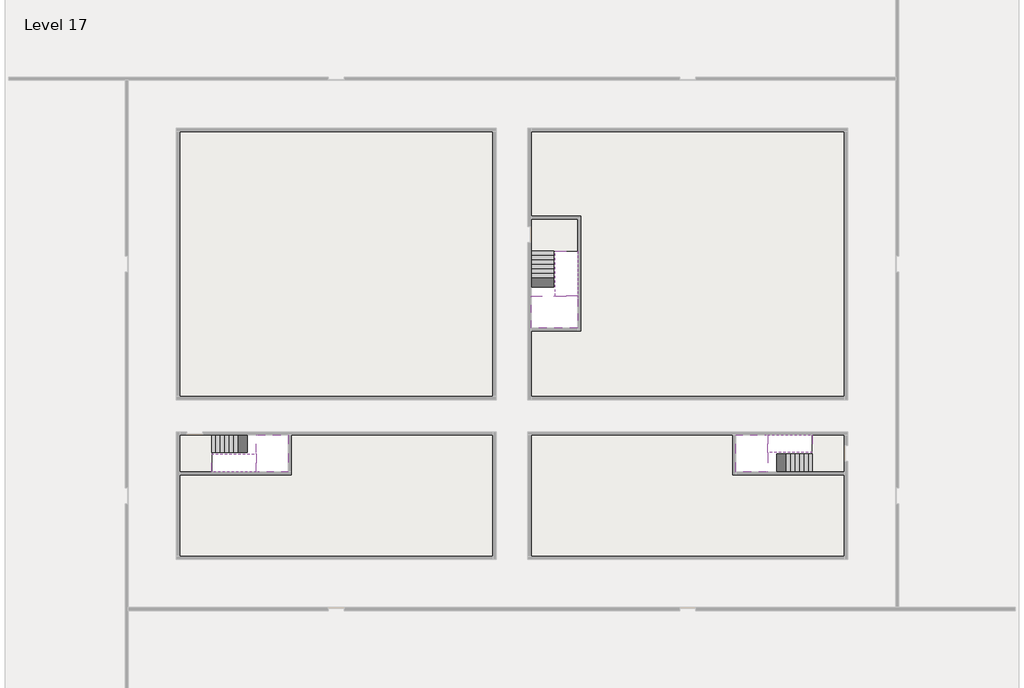
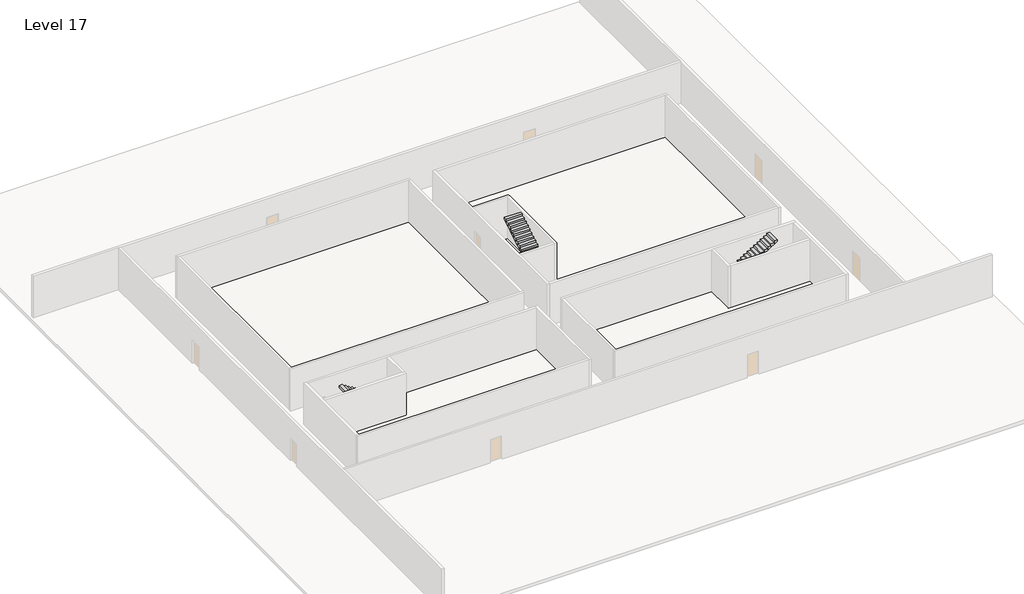
# One storey, part 2 of 2: 6 stair flights, 5 slabs.
"""IFC4 building model written with IfcOpenShell, lengths in millimetres."""

from ifc_helpers import new_model, si_unit, frame, origin, place, context, project, spatial, polyline, outline, extrude, faceted_brep, element, save

model = new_model("IFC4")

# Units and contexts
model_context = context("Model", 3, world=origin())
ifc_project = project(units=[si_unit("LENGTHUNIT", "METRE", prefix="MILLI")], contexts=[model_context])

# Site, building, storey
site = spatial("IfcSite", under=ifc_project)
building = spatial("IfcBuilding", under=site)
storey = spatial("IfcBuildingStorey", under=building, Name="Level 17", Elevation=60800.0)

# Slabs
placement = place(None, origin())
element("IfcSlab", 1, at=placement, inside=storey, context=model_context, shape_type="Brep", body=[
    faceted_brep([(8190.1058784, -42918.09644, 62700.0), (8190.1058784, -44018.09644, 62700.0), (8190.1058784, -44118.09644, 62700.0), (8190.1058784, -45218.09644, 62700.0), (8390.7194421, -45218.09644, 62700.0), (10190.1058784, -45218.09644, 62700.0), (10190.1058784, -42918.09644, 62700.0), (8269.4923146, -42918.09644, 62700.0), (8190.1058784, -42918.09644, 62527.2727273), (8190.1058784, -42918.09644, 62351.0278478), (8190.1058784, -44018.09644, 62351.0278478), (8190.1058784, -44018.09644, 62400.0), (8190.1058784, -44118.09644, 62400.0), (8190.1058784, -44118.09644, 62523.7551205), (8190.1058784, -45218.09644, 62523.7551205), (8390.7194421, -45218.09644, 62400.0), (10190.1058784, -45218.09644, 62400.0), (10190.1058784, -42918.09644, 62400.0), (8269.4923146, -42918.09644, 62400.0), (8390.7194421, -44118.09644, 62400.0), (8269.4923146, -44018.09644, 62400.0)], [[[0, 1, 2, 3, 4, 5, 6, 7]], [[1, 0, 8, 9, 10, 11]], [[2, 1, 11, 12, 13]], [[3, 2, 13, 14]], [[3, 14, 15, 16, 5, 4]], [[6, 5, 16, 17]], [[9, 8, 0, 7, 6, 17, 18]], [[19, 12, 11, 20, 18, 17, 16, 15]], [[12, 19, 13]], [[18, 20, 10, 9]], [[20, 11, 10]], [[19, 15, 14, 13]]]),
])
element("IfcSlab", 2, at=placement, inside=storey, context=model_context, shape_type="Brep", body=[
    faceted_brep([(40190.1058784, -45218.09644, 62700.0), (40190.1058784, -44118.09644, 62700.0), (40190.1058784, -44018.09644, 62700.0), (40190.1058784, -42918.09644, 62700.0), (39989.4923146, -42918.09644, 62700.0), (38190.1058784, -42918.09644, 62700.0), (38190.1058784, -45218.09644, 62700.0), (40110.7194421, -45218.09644, 62700.0), (40190.1058784, -45218.09644, 62527.2727273), (40190.1058784, -45218.09644, 62351.0278478), (40190.1058784, -44118.09644, 62351.0278478), (40190.1058784, -44118.09644, 62400.0), (40190.1058784, -44018.09644, 62400.0), (40190.1058784, -44018.09644, 62523.7551205), (40190.1058784, -42918.09644, 62523.7551205), (39989.4923146, -42918.09644, 62400.0), (38190.1058784, -42918.09644, 62400.0), (38190.1058784, -45218.09644, 62400.0), (40110.7194421, -45218.09644, 62400.0), (39989.4923146, -44018.09644, 62400.0), (40110.7194421, -44118.09644, 62400.0)], [[[0, 1, 2, 3, 4, 5, 6, 7]], [[1, 0, 8, 9, 10, 11]], [[2, 1, 11, 12, 13]], [[3, 2, 13, 14]], [[3, 14, 15, 16, 5, 4]], [[6, 5, 16, 17]], [[9, 8, 0, 7, 6, 17, 18]], [[19, 12, 11, 20, 18, 17, 16, 15]], [[12, 19, 13]], [[18, 20, 10, 9]], [[20, 11, 10]], [[19, 15, 14, 13]]]),
])
element("IfcSlab", 3, at=placement, inside=storey, context=model_context, shape_type="Brep", body=[
    faceted_brep([(26790.1058784, -34218.09644, 62700.0), (25390.1058784, -34218.09644, 62700.0), (25390.1058784, -34297.4828763, 62700.0), (25390.1058784, -36218.09644, 62700.0), (28290.1058784, -36218.09644, 62700.0), (28290.1058784, -34418.7100038, 62700.0), (28290.1058784, -34218.09644, 62700.0), (26890.1058784, -34218.09644, 62700.0), (26790.1058784, -34218.09644, 62400.0), (26790.1058784, -34218.09644, 62351.0278478), (25390.1058784, -34218.09644, 62351.0278478), (25390.1058784, -34218.09644, 62527.2727273), (25390.1058784, -34297.4828763, 62400.0), (25390.1058784, -36218.09644, 62400.0), (28290.1058784, -36218.09644, 62400.0), (28290.1058784, -34418.7100038, 62400.0), (28290.1058784, -34218.09644, 62523.7551205), (26890.1058784, -34218.09644, 62523.7551205), (26890.1058784, -34218.09644, 62400.0), (26890.1058784, -34418.7100038, 62400.0), (26790.1058784, -34297.4828763, 62400.0)], [[[0, 1, 2, 3, 4, 5, 6, 7]], [[1, 0, 8, 9, 10, 11]], [[1, 11, 10, 12, 13, 3, 2]], [[4, 3, 13, 14]], [[4, 14, 15, 16, 6, 5]], [[7, 6, 16, 17]], [[0, 7, 17, 18, 8]], [[18, 19, 15, 14, 13, 12, 20, 8]], [[19, 18, 17]], [[20, 12, 10, 9]], [[8, 20, 9]], [[15, 19, 17, 16]]]),
])
element("IfcSlab", 4, at=placement, inside=storey, context=model_context, shape_type="SweptSolid", body=[
    extrude(outline(polyline([(22990.1058784, -23918.09644), (22990.1058784, -40518.09644), (3390.1058784, -40518.09644), (3390.1058784, -23918.09644), (22990.1058784, -23918.09644)])), frame((0.0, 0.0, 60500.0), z_axis=(0.0, 0.0, 1.0), x_axis=(1.0, 0.0, 0.0)), (0.0, 0.0, 1.0), 300.0),
    extrude(outline(polyline([(44990.1058784, -23918.09644), (44990.1058784, -40518.09644), (25390.1058784, -40518.09644), (25390.1058784, -36418.09644), (28490.1058784, -36418.09644), (28490.1058784, -29218.09644), (25390.1058784, -29218.09644), (25390.1058784, -23918.09644), (44990.1058784, -23918.09644)])), frame((0.0, 0.0, 60500.0), z_axis=(0.0, 0.0, 1.0), x_axis=(1.0, 0.0, 0.0)), (0.0, 0.0, 1.0), 300.0),
    extrude(outline(polyline([(22990.1058784, -42918.09644), (22990.1058784, -50518.09644), (3390.1058784, -50518.09644), (3390.1058784, -45418.09644), (10390.1058784, -45418.09644), (10390.1058784, -42918.09644), (22990.1058784, -42918.09644)])), frame((0.0, 0.0, 60500.0), z_axis=(0.0, 0.0, 1.0), x_axis=(1.0, 0.0, 0.0)), (0.0, 0.0, 1.0), 300.0),
    extrude(outline(polyline([(37990.1058784, -42918.09644), (37990.1058784, -45418.09644), (44990.1058784, -45418.09644), (44990.1058784, -50518.09644), (25390.1058784, -50518.09644), (25390.1058784, -42918.09644), (37990.1058784, -42918.09644)])), frame((0.0, 0.0, 60500.0), z_axis=(0.0, 0.0, 1.0), x_axis=(1.0, 0.0, 0.0)), (0.0, 0.0, 1.0), 300.0),
])
element("IfcSlab", 5, at=placement, inside=storey, context=model_context, shape_type="SweptSolid", body=[
    extrude(outline(polyline([(44990.1058784, -42918.09644), (44990.1058784, -45218.09644), (42990.1058784, -45218.09644), (42990.1058784, -42918.09644), (44990.1058784, -42918.09644)])), frame((0.0, 0.0, 60500.0), z_axis=(0.0, 0.0, 1.0), x_axis=(1.0, 0.0, 0.0)), (0.0, 0.0, 1.0), 300.0),
    extrude(outline(polyline([(5390.1058784, -42918.09644), (5390.1058784, -45218.09644), (3390.1058784, -45218.09644), (3390.1058784, -42918.09644), (5390.1058784, -42918.09644)])), frame((0.0, 0.0, 60500.0), z_axis=(0.0, 0.0, 1.0), x_axis=(1.0, 0.0, 0.0)), (0.0, 0.0, 1.0), 300.0),
    extrude(outline(polyline([(28290.1058784, -29418.09644), (28290.1058784, -31418.09644), (25390.1058784, -31418.09644), (25390.1058784, -29418.09644), (28290.1058784, -29418.09644)])), frame((0.0, 0.0, 60500.0), z_axis=(0.0, 0.0, 1.0), x_axis=(1.0, 0.0, 0.0)), (0.0, 0.0, 1.0), 300.0),
])

# Stair flights
element("IfcStairFlight", 6, at=placement, inside=storey, context=model_context, shape_type="Brep", body=[
    faceted_brep([(5670.1058784, -42918.09644, 60972.7272727), (5390.1058784, -42918.09644, 60972.7272727), (5390.1058784, -44018.09644, 60972.7272727), (5670.1058784, -44018.09644, 60972.7272727), (5670.1058784, -42918.09644, 60800.0), (5390.1058784, -42918.09644, 60800.0), (5390.1058784, -44018.09644, 60800.0), (5670.1058784, -44018.09644, 60800.0), (5950.1058784, -42918.09644, 61145.4545455), (5670.1058784, -42918.09644, 61145.4545455), (5670.1058784, -44018.09644, 61145.4545455), (5950.1058784, -44018.09644, 61145.4545455), (5950.1058784, -42918.09644, 60969.209666), (5675.8081041, -42918.09644, 60800.0), (5675.8081041, -44018.09644, 60800.0), (5950.1058784, -44018.09644, 60969.209666), (6230.1058784, -42918.09644, 61318.1818182), (5950.1058784, -42918.09644, 61318.1818182), (5950.1058784, -44018.09644, 61318.1818182), (6230.1058784, -44018.09644, 61318.1818182), (6230.1058784, -42918.09644, 61141.9369387), (6230.1058784, -44018.09644, 61141.9369387), (6510.1058784, -42918.09644, 61490.9090909), (6230.1058784, -42918.09644, 61490.9090909), (6230.1058784, -44018.09644, 61490.9090909), (6510.1058784, -44018.09644, 61490.9090909), (6510.1058784, -42918.09644, 61314.6642114), (6510.1058784, -44018.09644, 61314.6642114), (6790.1058784, -42918.09644, 61663.6363636), (6510.1058784, -42918.09644, 61663.6363636), (6510.1058784, -44018.09644, 61663.6363636), (6790.1058784, -44018.09644, 61663.6363636), (6790.1058784, -42918.09644, 61487.3914841), (6790.1058784, -44018.09644, 61487.3914841), (7070.1058784, -42918.09644, 61836.3636364), (6790.1058784, -42918.09644, 61836.3636364), (6790.1058784, -44018.09644, 61836.3636364), (7070.1058784, -44018.09644, 61836.3636364), (7070.1058784, -42918.09644, 61660.1187569), (7070.1058784, -44018.09644, 61660.1187569), (7350.1058784, -42918.09644, 62009.0909091), (7070.1058784, -42918.09644, 62009.0909091), (7070.1058784, -44018.09644, 62009.0909091), (7350.1058784, -44018.09644, 62009.0909091), (7350.1058784, -42918.09644, 61832.8460296), (7350.1058784, -44018.09644, 61832.8460296), (7630.1058784, -42918.09644, 62181.8181818), (7350.1058784, -42918.09644, 62181.8181818), (7350.1058784, -44018.09644, 62181.8181818), (7630.1058784, -44018.09644, 62181.8181818), (7630.1058784, -42918.09644, 62005.5733023), (7630.1058784, -44018.09644, 62005.5733023), (7910.1058784, -42918.09644, 62354.5454545), (7630.1058784, -42918.09644, 62354.5454545), (7630.1058784, -44018.09644, 62354.5454545), (7910.1058784, -44018.09644, 62354.5454545), (7910.1058784, -42918.09644, 62178.3005751), (7910.1058784, -44018.09644, 62178.3005751), (8190.1058784, -42918.09644, 62527.2727273), (7910.1058784, -42918.09644, 62527.2727273), (7910.1058784, -44018.09644, 62527.2727273), (8190.1058784, -44018.09644, 62527.2727273), (8190.1058784, -42918.09644, 62351.0278478), (8190.1058784, -44018.09644, 62351.0278478), (8190.1058784, -44018.09644, 62400.0)], [[[0, 1, 2, 3]], [[1, 0, 4, 5]], [[2, 1, 5, 6]], [[3, 2, 6, 7]], [[8, 9, 10, 11]], [[4, 0, 9, 8, 12, 13]], [[0, 3, 10, 9]], [[3, 7, 14, 15, 11, 10]], [[16, 17, 18, 19]], [[17, 16, 20, 12, 8]], [[8, 11, 18, 17]], [[19, 18, 11, 15, 21]], [[22, 23, 24, 25]], [[23, 22, 26, 20, 16]], [[16, 19, 24, 23]], [[25, 24, 19, 21, 27]], [[28, 29, 30, 31]], [[29, 28, 32, 26, 22]], [[22, 25, 30, 29]], [[31, 30, 25, 27, 33]], [[34, 35, 36, 37]], [[35, 34, 38, 32, 28]], [[28, 31, 36, 35]], [[37, 36, 31, 33, 39]], [[40, 41, 42, 43]], [[41, 40, 44, 38, 34]], [[34, 37, 42, 41]], [[43, 42, 37, 39, 45]], [[46, 47, 48, 49]], [[47, 46, 50, 44, 40]], [[40, 43, 48, 47]], [[49, 48, 43, 45, 51]], [[52, 53, 54, 55]], [[53, 52, 56, 50, 46]], [[46, 49, 54, 53]], [[55, 54, 49, 51, 57]], [[58, 59, 60, 61]], [[59, 58, 62, 56, 52]], [[52, 55, 60, 59]], [[61, 60, 55, 57, 63, 64]], [[58, 61, 64, 63, 62]], [[5, 4, 13, 14, 7, 6]], [[14, 13, 12, 20, 26, 32, 38, 44, 50, 56, 62, 63, 57, 51, 45, 39, 33, 27, 21, 15]]]),
])
element("IfcStairFlight", 7, at=placement, inside=storey, context=model_context, shape_type="Brep", body=[
    faceted_brep([(7910.1058784, -45218.09644, 62872.7272727), (8190.1058784, -45218.09644, 62872.7272727), (8190.1058784, -44118.09644, 62872.7272727), (7910.1058784, -44118.09644, 62872.7272727), (7910.1058784, -45218.09644, 62696.4823932), (8190.1058784, -45218.09644, 62523.7551205), (8190.1058784, -45218.09644, 62700.0), (8190.1058784, -44118.09644, 62523.7551205), (7910.1058784, -44118.09644, 62696.4823932), (7630.1058784, -45218.09644, 63045.4545455), (7910.1058784, -45218.09644, 63045.4545455), (7910.1058784, -44118.09644, 63045.4545455), (7630.1058784, -44118.09644, 63045.4545455), (7630.1058784, -45218.09644, 62869.209666), (7630.1058784, -44118.09644, 62869.209666), (7350.1058784, -45218.09644, 63218.1818182), (7630.1058784, -45218.09644, 63218.1818182), (7630.1058784, -44118.09644, 63218.1818182), (7350.1058784, -44118.09644, 63218.1818182), (7350.1058784, -45218.09644, 63041.9369387), (7350.1058784, -44118.09644, 63041.9369387), (7070.1058784, -45218.09644, 63390.9090909), (7350.1058784, -45218.09644, 63390.9090909), (7350.1058784, -44118.09644, 63390.9090909), (7070.1058784, -44118.09644, 63390.9090909), (7070.1058784, -45218.09644, 63214.6642114), (7070.1058784, -44118.09644, 63214.6642114), (6790.1058784, -45218.09644, 63563.6363636), (7070.1058784, -45218.09644, 63563.6363636), (7070.1058784, -44118.09644, 63563.6363636), (6790.1058784, -44118.09644, 63563.6363636), (6790.1058784, -45218.09644, 63387.3914841), (6790.1058784, -44118.09644, 63387.3914841), (6510.1058784, -45218.09644, 63736.3636364), (6790.1058784, -45218.09644, 63736.3636364), (6790.1058784, -44118.09644, 63736.3636364), (6510.1058784, -44118.09644, 63736.3636364), (6510.1058784, -45218.09644, 63560.1187569), (6510.1058784, -44118.09644, 63560.1187569), (6230.1058784, -45218.09644, 63909.0909091), (6510.1058784, -45218.09644, 63909.0909091), (6510.1058784, -44118.09644, 63909.0909091), (6230.1058784, -44118.09644, 63909.0909091), (6230.1058784, -45218.09644, 63732.8460296), (6230.1058784, -44118.09644, 63732.8460296), (5950.1058784, -45218.09644, 64081.8181818), (6230.1058784, -45218.09644, 64081.8181818), (6230.1058784, -44118.09644, 64081.8181818), (5950.1058784, -44118.09644, 64081.8181818), (5950.1058784, -45218.09644, 63905.5733023), (5950.1058784, -44118.09644, 63905.5733023), (5670.1058784, -45218.09644, 64254.5454545), (5950.1058784, -45218.09644, 64254.5454545), (5950.1058784, -44118.09644, 64254.5454545), (5670.1058784, -44118.09644, 64254.5454545), (5670.1058784, -45218.09644, 64078.3005751), (5670.1058784, -44118.09644, 64078.3005751), (5390.1058784, -45218.09644, 64427.2727273), (5670.1058784, -45218.09644, 64427.2727273), (5670.1058784, -44118.09644, 64427.2727273), (5390.1058784, -44118.09644, 64427.2727273), (5390.1058784, -45218.09644, 64251.0278478), (5390.1058784, -44118.09644, 64251.0278478)], [[[0, 1, 2, 3]], [[1, 0, 4, 5, 6]], [[2, 1, 6, 5, 7]], [[3, 2, 7, 8]], [[9, 10, 11, 12]], [[10, 9, 13, 4, 0]], [[11, 10, 0, 3]], [[12, 11, 3, 8, 14]], [[15, 16, 17, 18]], [[16, 15, 19, 13, 9]], [[17, 16, 9, 12]], [[18, 17, 12, 14, 20]], [[21, 22, 23, 24]], [[22, 21, 25, 19, 15]], [[23, 22, 15, 18]], [[24, 23, 18, 20, 26]], [[27, 28, 29, 30]], [[28, 27, 31, 25, 21]], [[29, 28, 21, 24]], [[30, 29, 24, 26, 32]], [[33, 34, 35, 36]], [[34, 33, 37, 31, 27]], [[35, 34, 27, 30]], [[36, 35, 30, 32, 38]], [[39, 40, 41, 42]], [[40, 39, 43, 37, 33]], [[41, 40, 33, 36]], [[42, 41, 36, 38, 44]], [[45, 46, 47, 48]], [[46, 45, 49, 43, 39]], [[47, 46, 39, 42]], [[48, 47, 42, 44, 50]], [[51, 52, 53, 54]], [[52, 51, 55, 49, 45]], [[53, 52, 45, 48]], [[54, 53, 48, 50, 56]], [[57, 58, 59, 60]], [[58, 57, 61, 55, 51]], [[59, 58, 51, 54]], [[60, 59, 54, 56, 62]], [[57, 60, 62, 61]], [[5, 4, 13, 19, 25, 31, 37, 43, 49, 55, 61, 62, 56, 50, 44, 38, 32, 26, 20, 14, 8, 7]]]),
])
element("IfcStairFlight", 8, at=placement, inside=storey, context=model_context, shape_type="Brep", body=[
    faceted_brep([(42710.1058784, -45218.09644, 60972.7272727), (42990.1058784, -45218.09644, 60972.7272727), (42990.1058784, -44118.09644, 60972.7272727), (42710.1058784, -44118.09644, 60972.7272727), (42710.1058784, -45218.09644, 60800.0), (42990.1058784, -45218.09644, 60800.0), (42990.1058784, -44118.09644, 60800.0), (42710.1058784, -44118.09644, 60800.0), (42430.1058784, -45218.09644, 61145.4545455), (42710.1058784, -45218.09644, 61145.4545455), (42710.1058784, -44118.09644, 61145.4545455), (42430.1058784, -44118.09644, 61145.4545455), (42430.1058784, -45218.09644, 60969.209666), (42704.4036527, -45218.09644, 60800.0), (42704.4036527, -44118.09644, 60800.0), (42430.1058784, -44118.09644, 60969.209666), (42150.1058784, -45218.09644, 61318.1818182), (42430.1058784, -45218.09644, 61318.1818182), (42430.1058784, -44118.09644, 61318.1818182), (42150.1058784, -44118.09644, 61318.1818182), (42150.1058784, -45218.09644, 61141.9369387), (42150.1058784, -44118.09644, 61141.9369387), (41870.1058784, -45218.09644, 61490.9090909), (42150.1058784, -45218.09644, 61490.9090909), (42150.1058784, -44118.09644, 61490.9090909), (41870.1058784, -44118.09644, 61490.9090909), (41870.1058784, -45218.09644, 61314.6642114), (41870.1058784, -44118.09644, 61314.6642114), (41590.1058784, -45218.09644, 61663.6363636), (41870.1058784, -45218.09644, 61663.6363636), (41870.1058784, -44118.09644, 61663.6363636), (41590.1058784, -44118.09644, 61663.6363636), (41590.1058784, -45218.09644, 61487.3914841), (41590.1058784, -44118.09644, 61487.3914841), (41310.1058784, -45218.09644, 61836.3636364), (41590.1058784, -45218.09644, 61836.3636364), (41590.1058784, -44118.09644, 61836.3636364), (41310.1058784, -44118.09644, 61836.3636364), (41310.1058784, -45218.09644, 61660.1187569), (41310.1058784, -44118.09644, 61660.1187569), (41030.1058784, -45218.09644, 62009.0909091), (41310.1058784, -45218.09644, 62009.0909091), (41310.1058784, -44118.09644, 62009.0909091), (41030.1058784, -44118.09644, 62009.0909091), (41030.1058784, -45218.09644, 61832.8460296), (41030.1058784, -44118.09644, 61832.8460296), (40750.1058784, -45218.09644, 62181.8181818), (41030.1058784, -45218.09644, 62181.8181818), (41030.1058784, -44118.09644, 62181.8181818), (40750.1058784, -44118.09644, 62181.8181818), (40750.1058784, -45218.09644, 62005.5733023), (40750.1058784, -44118.09644, 62005.5733023), (40470.1058784, -45218.09644, 62354.5454545), (40750.1058784, -45218.09644, 62354.5454545), (40750.1058784, -44118.09644, 62354.5454545), (40470.1058784, -44118.09644, 62354.5454545), (40470.1058784, -45218.09644, 62178.3005751), (40470.1058784, -44118.09644, 62178.3005751), (40190.1058784, -45218.09644, 62527.2727273), (40470.1058784, -45218.09644, 62527.2727273), (40470.1058784, -44118.09644, 62527.2727273), (40190.1058784, -44118.09644, 62527.2727273), (40190.1058784, -45218.09644, 62351.0278478), (40190.1058784, -44118.09644, 62351.0278478), (40190.1058784, -44118.09644, 62400.0)], [[[0, 1, 2, 3]], [[1, 0, 4, 5]], [[2, 1, 5, 6]], [[3, 2, 6, 7]], [[8, 9, 10, 11]], [[4, 0, 9, 8, 12, 13]], [[0, 3, 10, 9]], [[3, 7, 14, 15, 11, 10]], [[16, 17, 18, 19]], [[17, 16, 20, 12, 8]], [[8, 11, 18, 17]], [[19, 18, 11, 15, 21]], [[22, 23, 24, 25]], [[23, 22, 26, 20, 16]], [[16, 19, 24, 23]], [[25, 24, 19, 21, 27]], [[28, 29, 30, 31]], [[29, 28, 32, 26, 22]], [[22, 25, 30, 29]], [[31, 30, 25, 27, 33]], [[34, 35, 36, 37]], [[35, 34, 38, 32, 28]], [[28, 31, 36, 35]], [[37, 36, 31, 33, 39]], [[40, 41, 42, 43]], [[41, 40, 44, 38, 34]], [[34, 37, 42, 41]], [[43, 42, 37, 39, 45]], [[46, 47, 48, 49]], [[47, 46, 50, 44, 40]], [[40, 43, 48, 47]], [[49, 48, 43, 45, 51]], [[52, 53, 54, 55]], [[53, 52, 56, 50, 46]], [[46, 49, 54, 53]], [[55, 54, 49, 51, 57]], [[58, 59, 60, 61]], [[59, 58, 62, 56, 52]], [[52, 55, 60, 59]], [[61, 60, 55, 57, 63, 64]], [[58, 61, 64, 63, 62]], [[5, 4, 13, 14, 7, 6]], [[14, 13, 12, 20, 26, 32, 38, 44, 50, 56, 62, 63, 57, 51, 45, 39, 33, 27, 21, 15]]]),
])
element("IfcStairFlight", 9, at=placement, inside=storey, context=model_context, shape_type="Brep", body=[
    faceted_brep([(40470.1058784, -42918.09644, 62872.7272727), (40190.1058784, -42918.09644, 62872.7272727), (40190.1058784, -44018.09644, 62872.7272727), (40470.1058784, -44018.09644, 62872.7272727), (40470.1058784, -42918.09644, 62696.4823932), (40190.1058784, -42918.09644, 62523.7551205), (40190.1058784, -42918.09644, 62700.0), (40190.1058784, -44018.09644, 62523.7551205), (40470.1058784, -44018.09644, 62696.4823932), (40750.1058784, -42918.09644, 63045.4545455), (40470.1058784, -42918.09644, 63045.4545455), (40470.1058784, -44018.09644, 63045.4545455), (40750.1058784, -44018.09644, 63045.4545455), (40750.1058784, -42918.09644, 62869.209666), (40750.1058784, -44018.09644, 62869.209666), (41030.1058784, -42918.09644, 63218.1818182), (40750.1058784, -42918.09644, 63218.1818182), (40750.1058784, -44018.09644, 63218.1818182), (41030.1058784, -44018.09644, 63218.1818182), (41030.1058784, -42918.09644, 63041.9369387), (41030.1058784, -44018.09644, 63041.9369387), (41310.1058784, -42918.09644, 63390.9090909), (41030.1058784, -42918.09644, 63390.9090909), (41030.1058784, -44018.09644, 63390.9090909), (41310.1058784, -44018.09644, 63390.9090909), (41310.1058784, -42918.09644, 63214.6642114), (41310.1058784, -44018.09644, 63214.6642114), (41590.1058784, -42918.09644, 63563.6363636), (41310.1058784, -42918.09644, 63563.6363636), (41310.1058784, -44018.09644, 63563.6363636), (41590.1058784, -44018.09644, 63563.6363636), (41590.1058784, -42918.09644, 63387.3914841), (41590.1058784, -44018.09644, 63387.3914841), (41870.1058784, -42918.09644, 63736.3636364), (41590.1058784, -42918.09644, 63736.3636364), (41590.1058784, -44018.09644, 63736.3636364), (41870.1058784, -44018.09644, 63736.3636364), (41870.1058784, -42918.09644, 63560.1187569), (41870.1058784, -44018.09644, 63560.1187569), (42150.1058784, -42918.09644, 63909.0909091), (41870.1058784, -42918.09644, 63909.0909091), (41870.1058784, -44018.09644, 63909.0909091), (42150.1058784, -44018.09644, 63909.0909091), (42150.1058784, -42918.09644, 63732.8460296), (42150.1058784, -44018.09644, 63732.8460296), (42430.1058784, -42918.09644, 64081.8181818), (42150.1058784, -42918.09644, 64081.8181818), (42150.1058784, -44018.09644, 64081.8181818), (42430.1058784, -44018.09644, 64081.8181818), (42430.1058784, -42918.09644, 63905.5733023), (42430.1058784, -44018.09644, 63905.5733023), (42710.1058784, -42918.09644, 64254.5454545), (42430.1058784, -42918.09644, 64254.5454545), (42430.1058784, -44018.09644, 64254.5454545), (42710.1058784, -44018.09644, 64254.5454545), (42710.1058784, -42918.09644, 64078.3005751), (42710.1058784, -44018.09644, 64078.3005751), (42990.1058784, -42918.09644, 64427.2727273), (42710.1058784, -42918.09644, 64427.2727273), (42710.1058784, -44018.09644, 64427.2727273), (42990.1058784, -44018.09644, 64427.2727273), (42990.1058784, -42918.09644, 64251.0278478), (42990.1058784, -44018.09644, 64251.0278478)], [[[0, 1, 2, 3]], [[1, 0, 4, 5, 6]], [[2, 1, 6, 5, 7]], [[3, 2, 7, 8]], [[9, 10, 11, 12]], [[10, 9, 13, 4, 0]], [[11, 10, 0, 3]], [[12, 11, 3, 8, 14]], [[15, 16, 17, 18]], [[16, 15, 19, 13, 9]], [[17, 16, 9, 12]], [[18, 17, 12, 14, 20]], [[21, 22, 23, 24]], [[22, 21, 25, 19, 15]], [[23, 22, 15, 18]], [[24, 23, 18, 20, 26]], [[27, 28, 29, 30]], [[28, 27, 31, 25, 21]], [[29, 28, 21, 24]], [[30, 29, 24, 26, 32]], [[33, 34, 35, 36]], [[34, 33, 37, 31, 27]], [[35, 34, 27, 30]], [[36, 35, 30, 32, 38]], [[39, 40, 41, 42]], [[40, 39, 43, 37, 33]], [[41, 40, 33, 36]], [[42, 41, 36, 38, 44]], [[45, 46, 47, 48]], [[46, 45, 49, 43, 39]], [[47, 46, 39, 42]], [[48, 47, 42, 44, 50]], [[51, 52, 53, 54]], [[52, 51, 55, 49, 45]], [[53, 52, 45, 48]], [[54, 53, 48, 50, 56]], [[57, 58, 59, 60]], [[58, 57, 61, 55, 51]], [[59, 58, 51, 54]], [[60, 59, 54, 56, 62]], [[57, 60, 62, 61]], [[5, 4, 13, 19, 25, 31, 37, 43, 49, 55, 61, 62, 56, 50, 44, 38, 32, 26, 20, 14, 8, 7]]]),
])
element("IfcStairFlight", 10, at=placement, inside=storey, context=model_context, shape_type="Brep", body=[
    faceted_brep([(26790.1058784, -31698.09644, 60972.7272727), (26790.1058784, -31418.09644, 60972.7272727), (25390.1058784, -31418.09644, 60972.7272727), (25390.1058784, -31698.09644, 60972.7272727), (26790.1058784, -31698.09644, 60800.0), (26790.1058784, -31418.09644, 60800.0), (25390.1058784, -31418.09644, 60800.0), (25390.1058784, -31698.09644, 60800.0), (26790.1058784, -31978.09644, 61145.4545455), (26790.1058784, -31698.09644, 61145.4545455), (25390.1058784, -31698.09644, 61145.4545455), (25390.1058784, -31978.09644, 61145.4545455), (26790.1058784, -31978.09644, 60969.209666), (26790.1058784, -31703.7986657, 60800.0), (25390.1058784, -31703.7986657, 60800.0), (25390.1058784, -31978.09644, 60969.209666), (26790.1058784, -32258.09644, 61318.1818182), (26790.1058784, -31978.09644, 61318.1818182), (25390.1058784, -31978.09644, 61318.1818182), (25390.1058784, -32258.09644, 61318.1818182), (26790.1058784, -32258.09644, 61141.9369387), (25390.1058784, -32258.09644, 61141.9369387), (26790.1058784, -32538.09644, 61490.9090909), (26790.1058784, -32258.09644, 61490.9090909), (25390.1058784, -32258.09644, 61490.9090909), (25390.1058784, -32538.09644, 61490.9090909), (26790.1058784, -32538.09644, 61314.6642114), (25390.1058784, -32538.09644, 61314.6642114), (26790.1058784, -32818.09644, 61663.6363636), (26790.1058784, -32538.09644, 61663.6363636), (25390.1058784, -32538.09644, 61663.6363636), (25390.1058784, -32818.09644, 61663.6363636), (26790.1058784, -32818.09644, 61487.3914841), (25390.1058784, -32818.09644, 61487.3914841), (26790.1058784, -33098.09644, 61836.3636364), (26790.1058784, -32818.09644, 61836.3636364), (25390.1058784, -32818.09644, 61836.3636364), (25390.1058784, -33098.09644, 61836.3636364), (26790.1058784, -33098.09644, 61660.1187569), (25390.1058784, -33098.09644, 61660.1187569), (26790.1058784, -33378.09644, 62009.0909091), (26790.1058784, -33098.09644, 62009.0909091), (25390.1058784, -33098.09644, 62009.0909091), (25390.1058784, -33378.09644, 62009.0909091), (26790.1058784, -33378.09644, 61832.8460296), (25390.1058784, -33378.09644, 61832.8460296), (26790.1058784, -33658.09644, 62181.8181818), (26790.1058784, -33378.09644, 62181.8181818), (25390.1058784, -33378.09644, 62181.8181818), (25390.1058784, -33658.09644, 62181.8181818), (26790.1058784, -33658.09644, 62005.5733023), (25390.1058784, -33658.09644, 62005.5733023), (26790.1058784, -33938.09644, 62354.5454545), (26790.1058784, -33658.09644, 62354.5454545), (25390.1058784, -33658.09644, 62354.5454545), (25390.1058784, -33938.09644, 62354.5454545), (26790.1058784, -33938.09644, 62178.3005751), (25390.1058784, -33938.09644, 62178.3005751), (26790.1058784, -34218.09644, 62527.2727273), (26790.1058784, -33938.09644, 62527.2727273), (25390.1058784, -33938.09644, 62527.2727273), (25390.1058784, -34218.09644, 62527.2727273), (26790.1058784, -34218.09644, 62400.0), (26790.1058784, -34218.09644, 62351.0278478), (25390.1058784, -34218.09644, 62351.0278478)], [[[0, 1, 2, 3]], [[1, 0, 4, 5]], [[2, 1, 5, 6]], [[3, 2, 6, 7]], [[8, 9, 10, 11]], [[4, 0, 9, 8, 12, 13]], [[0, 3, 10, 9]], [[3, 7, 14, 15, 11, 10]], [[16, 17, 18, 19]], [[17, 16, 20, 12, 8]], [[8, 11, 18, 17]], [[19, 18, 11, 15, 21]], [[22, 23, 24, 25]], [[23, 22, 26, 20, 16]], [[16, 19, 24, 23]], [[25, 24, 19, 21, 27]], [[28, 29, 30, 31]], [[29, 28, 32, 26, 22]], [[22, 25, 30, 29]], [[31, 30, 25, 27, 33]], [[34, 35, 36, 37]], [[35, 34, 38, 32, 28]], [[28, 31, 36, 35]], [[37, 36, 31, 33, 39]], [[40, 41, 42, 43]], [[41, 40, 44, 38, 34]], [[34, 37, 42, 41]], [[43, 42, 37, 39, 45]], [[46, 47, 48, 49]], [[47, 46, 50, 44, 40]], [[40, 43, 48, 47]], [[49, 48, 43, 45, 51]], [[52, 53, 54, 55]], [[53, 52, 56, 50, 46]], [[46, 49, 54, 53]], [[55, 54, 49, 51, 57]], [[58, 59, 60, 61]], [[59, 58, 62, 63, 56, 52]], [[52, 55, 60, 59]], [[61, 60, 55, 57, 64]], [[58, 61, 64, 63, 62]], [[5, 4, 13, 14, 7, 6]], [[14, 13, 12, 20, 26, 32, 38, 44, 50, 56, 63, 64, 57, 51, 45, 39, 33, 27, 21, 15]]]),
])
element("IfcStairFlight", 11, at=placement, inside=storey, context=model_context, shape_type="Brep", body=[
    faceted_brep([(26890.1058784, -33938.09644, 62872.7272727), (26890.1058784, -34218.09644, 62872.7272727), (28290.1058784, -34218.09644, 62872.7272727), (28290.1058784, -33938.09644, 62872.7272727), (26890.1058784, -33938.09644, 62696.4823932), (26890.1058784, -34218.09644, 62523.7551205), (28290.1058784, -34218.09644, 62523.7551205), (28290.1058784, -34218.09644, 62700.0), (28290.1058784, -33938.09644, 62696.4823932), (26890.1058784, -33658.09644, 63045.4545455), (26890.1058784, -33938.09644, 63045.4545455), (28290.1058784, -33938.09644, 63045.4545455), (28290.1058784, -33658.09644, 63045.4545455), (26890.1058784, -33658.09644, 62869.209666), (28290.1058784, -33658.09644, 62869.209666), (26890.1058784, -33378.09644, 63218.1818182), (26890.1058784, -33658.09644, 63218.1818182), (28290.1058784, -33658.09644, 63218.1818182), (28290.1058784, -33378.09644, 63218.1818182), (26890.1058784, -33378.09644, 63041.9369387), (28290.1058784, -33378.09644, 63041.9369387), (26890.1058784, -33098.09644, 63390.9090909), (26890.1058784, -33378.09644, 63390.9090909), (28290.1058784, -33378.09644, 63390.9090909), (28290.1058784, -33098.09644, 63390.9090909), (26890.1058784, -33098.09644, 63214.6642114), (28290.1058784, -33098.09644, 63214.6642114), (26890.1058784, -32818.09644, 63563.6363636), (26890.1058784, -33098.09644, 63563.6363636), (28290.1058784, -33098.09644, 63563.6363636), (28290.1058784, -32818.09644, 63563.6363636), (26890.1058784, -32818.09644, 63387.3914841), (28290.1058784, -32818.09644, 63387.3914841), (26890.1058784, -32538.09644, 63736.3636364), (26890.1058784, -32818.09644, 63736.3636364), (28290.1058784, -32818.09644, 63736.3636364), (28290.1058784, -32538.09644, 63736.3636364), (26890.1058784, -32538.09644, 63560.1187569), (28290.1058784, -32538.09644, 63560.1187569), (26890.1058784, -32258.09644, 63909.0909091), (26890.1058784, -32538.09644, 63909.0909091), (28290.1058784, -32538.09644, 63909.0909091), (28290.1058784, -32258.09644, 63909.0909091), (26890.1058784, -32258.09644, 63732.8460296), (28290.1058784, -32258.09644, 63732.8460296), (26890.1058784, -31978.09644, 64081.8181818), (26890.1058784, -32258.09644, 64081.8181818), (28290.1058784, -32258.09644, 64081.8181818), (28290.1058784, -31978.09644, 64081.8181818), (26890.1058784, -31978.09644, 63905.5733023), (28290.1058784, -31978.09644, 63905.5733023), (26890.1058784, -31698.09644, 64254.5454545), (26890.1058784, -31978.09644, 64254.5454545), (28290.1058784, -31978.09644, 64254.5454545), (28290.1058784, -31698.09644, 64254.5454545), (26890.1058784, -31698.09644, 64078.3005751), (28290.1058784, -31698.09644, 64078.3005751), (26890.1058784, -31418.09644, 64427.2727273), (26890.1058784, -31698.09644, 64427.2727273), (28290.1058784, -31698.09644, 64427.2727273), (28290.1058784, -31418.09644, 64427.2727273), (26890.1058784, -31418.09644, 64251.0278478), (28290.1058784, -31418.09644, 64251.0278478)], [[[0, 1, 2, 3]], [[1, 0, 4, 5]], [[2, 1, 5, 6, 7]], [[3, 2, 7, 6, 8]], [[9, 10, 11, 12]], [[10, 9, 13, 4, 0]], [[11, 10, 0, 3]], [[12, 11, 3, 8, 14]], [[15, 16, 17, 18]], [[16, 15, 19, 13, 9]], [[17, 16, 9, 12]], [[18, 17, 12, 14, 20]], [[21, 22, 23, 24]], [[22, 21, 25, 19, 15]], [[23, 22, 15, 18]], [[24, 23, 18, 20, 26]], [[27, 28, 29, 30]], [[28, 27, 31, 25, 21]], [[29, 28, 21, 24]], [[30, 29, 24, 26, 32]], [[33, 34, 35, 36]], [[34, 33, 37, 31, 27]], [[35, 34, 27, 30]], [[36, 35, 30, 32, 38]], [[39, 40, 41, 42]], [[40, 39, 43, 37, 33]], [[41, 40, 33, 36]], [[42, 41, 36, 38, 44]], [[45, 46, 47, 48]], [[46, 45, 49, 43, 39]], [[47, 46, 39, 42]], [[48, 47, 42, 44, 50]], [[51, 52, 53, 54]], [[52, 51, 55, 49, 45]], [[53, 52, 45, 48]], [[54, 53, 48, 50, 56]], [[57, 58, 59, 60]], [[58, 57, 61, 55, 51]], [[59, 58, 51, 54]], [[60, 59, 54, 56, 62]], [[57, 60, 62, 61]], [[5, 4, 13, 19, 25, 31, 37, 43, 49, 55, 61, 62, 56, 50, 44, 38, 32, 26, 20, 14, 8, 6]]]),
])

save(model, "model.ifc")
